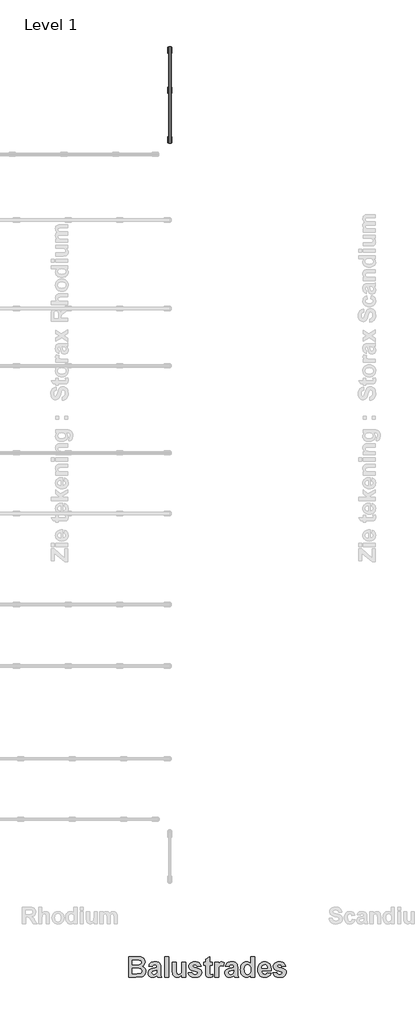
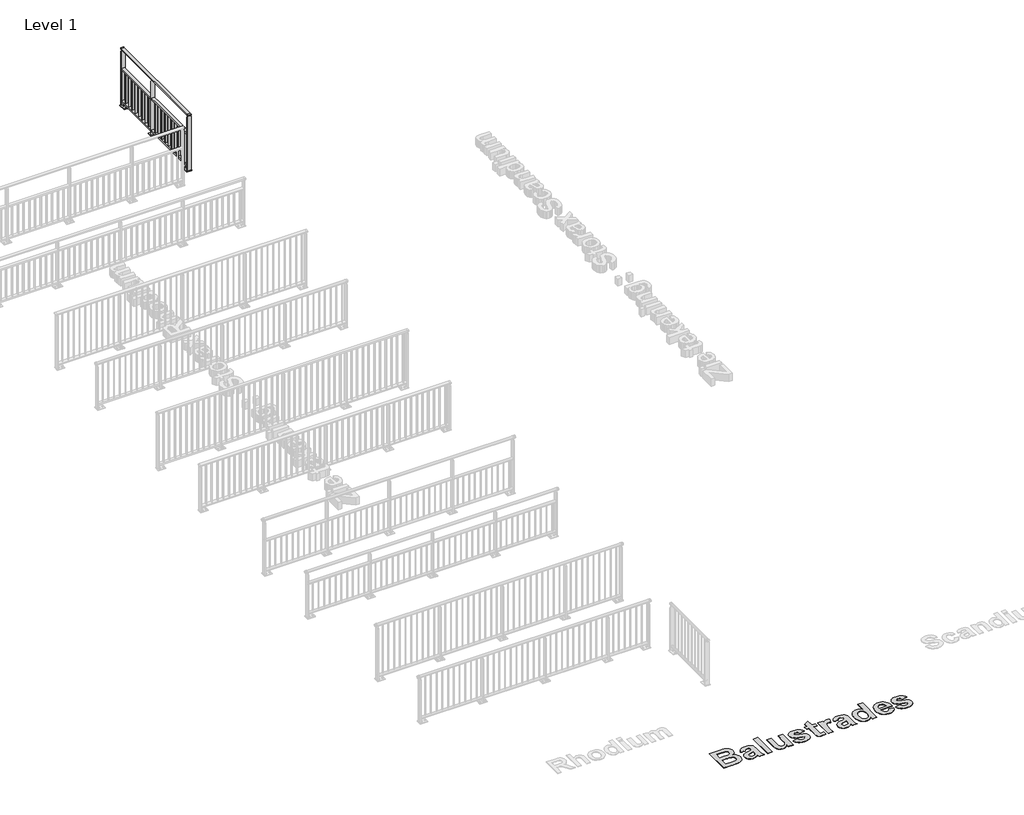
# One storey, part 10 of 20: 1 proxy, 1 railing.
"""IFC4 building model written with IfcOpenShell, lengths in millimetres."""

from ifc_helpers import new_model, si_unit, point, frame, frame_2d, origin, origin_with_axes, place, context, project, spatial, polyline, circle_curve, trimmed, segment, composite_curve, outline, extrude, faceted_brep, element, save

model = new_model("IFC4")

# Units and contexts
model_context = context("Model", 3, world=origin())
ifc_project = project(units=[si_unit("LENGTHUNIT", "METRE", prefix="MILLI")], contexts=[model_context])

# Site, building, storey
site = spatial("IfcSite", under=ifc_project)
building = spatial("IfcBuilding", under=site)
storey = spatial("IfcBuildingStorey", under=building, Name="Level 1", Elevation=0.0)

# Proxy
placement = place(None, origin())
element("IfcBuildingElementProxy", 1, Name="500mm", ObjectType="500mm", at=placement, inside=storey, context=model_context, shape_type="SweptSolid", body=[
    extrude(outline(polyline([(6253.1087653, -16540.2949086), (6458.3419003, -16540.2949086), (6511.494802, -16541.534988), (6549.1777137, -16545.2552261), (6577.5445292, -16552.9282171), (6602.7491423, -16566.0265554), (6624.4040282, -16584.441734), (6642.1216622, -16608.0652459), (6653.9334181, -16635.8895267), (6657.8706701, -16666.9070118), (6653.1738695, -16700.6991745), (6639.0834677, -16731.6391546), (6616.9325501, -16757.4638074), (6588.0542018, -16775.909988), (6624.5745391, -16793.8291348), (6639.2539786, -16806.2764314), (6651.5462653, -16821.0488769), (6668.1943308, -16855.7400971), (6673.743686, -16896.0736784), (6669.759931, -16929.5713223), (6657.8086661, -16962.1079046), (6638.9594598, -16990.9397499), (6614.2818804, -17013.3231824), (6583.4814092, -17028.8086735), (6546.2635272, -17036.9466943), (6423.9917018, -17040.2949086), (6253.1087653, -17040.2949086), (6253.1087653, -16540.2949086)]), holes=[polyline([(6348.3468606, -16826.0091943), (6348.3468606, -16952.9933213), (6449.041305, -16952.9933213), (6523.6940828, -16950.0171308), (6545.7364935, -16943.3672052), (6563.2526145, -16931.1059205), (6574.6923467, -16913.4812925), (6578.5055907, -16890.7413372), (6575.5604022, -16871.0240753), (6566.7248368, -16854.5310197), (6552.3399161, -16841.6651963), (6532.7466622, -16832.8296308), (6497.5284082, -16827.7143034), (6436.2684876, -16826.0091943), (6348.3468606, -16826.0091943)]), polyline([(6348.3468606, -16627.5964959), (6348.3468606, -16738.707607), (6421.0155114, -16738.707607), (6501.6206701, -16737.0955038), (6526.9957941, -16731.2981328), (6546.3255312, -16719.8584007), (6558.5558139, -16703.3343431), (6562.6325749, -16682.2839959), (6559.1138497, -16662.1482072), (6548.5576741, -16646.1356824), (6531.088056, -16634.9284652), (6506.8290034, -16629.2085991), (6412.0869399, -16627.5964959), (6348.3468606, -16627.5964959)])]), origin_with_axes(), (0.0, 0.0, 1.0), 5.0),
    extrude(outline(polyline([(6832.4738447, -16786.3266546), (6745.1722574, -16770.4536388), (6753.3761574, -16745.8690654), (6764.0989687, -16724.6947102), (6777.3406912, -16706.9305733), (6793.1013249, -16692.5766546), (6812.1791708, -16681.5089463), (6835.3725302, -16673.6034404), (6862.681403, -16668.8601368), (6894.1057891, -16667.2790356), (6947.212188, -16671.1077806), (6984.7555907, -16682.5940157), (7010.1152137, -16699.9551269), (7026.6702733, -16721.4084999), (7035.7848566, -16754.7511338), (7038.823051, -16807.7800277), (7038.823051, -16920.379234), (7040.0786314, -16962.1699086), (7043.8453725, -16991.3117737), (7051.0533338, -17014.9662876), (7062.6325749, -17040.2949086), (6967.3944796, -17040.2949086), (6958.4659082, -17010.0369721), (6955.1176939, -16998.0082023), (6930.4711165, -17019.942106), (6904.150432, -17035.644611), (6876.0936364, -17045.0847152), (6846.2387256, -17048.2314165), (6820.5187046, -17046.3209193), (6797.6741175, -17040.5894275), (6777.7049645, -17031.0369411), (6760.6112455, -17017.6634602), (6746.9122438, -17001.3757928), (6737.1272425, -16983.0807469), (6731.2562418, -16962.7783225), (6729.2992415, -16940.4685197), (6732.7869647, -16911.2646507), (6743.2501344, -16885.4089959), (6760.0067068, -16864.0486288), (6782.3746383, -16848.3306229), (6813.0976046, -16836.2708511), (6854.9192812, -16825.8851864), (6909.0797475, -16813.6394027), (6943.5849558, -16802.1996705), (6943.5849558, -16792.1550277), (6940.6242663, -16767.4154443), (6931.7421979, -16750.9843927), (6914.6756056, -16741.7768034), (6887.1613447, -16738.707607), (6867.4130808, -16741.3427757), (6852.5631304, -16749.2482816), (6841.3404122, -16763.7882122), (6832.4738447, -16786.3266546)]), holes=[polyline([(6943.5849558, -16873.6282419), (6889.8895193, -16886.8350872), (6859.5075749, -16894.4150723), (6841.7744399, -16901.9020515), (6828.8466126, -16915.4499185), (6824.5373368, -16932.2839959), (6827.994058, -16949.1645763), (6838.3642217, -16963.5959999), (6854.0667266, -16973.5011338), (6873.5204717, -16976.8028451), (6896.8649657, -16972.9585991), (6919.0313844, -16961.425861), (6932.3622376, -16948.4670316), (6940.1127336, -16932.9040356), (6943.5849558, -16890.8653451), (6943.5849558, -16873.6282419)])]), origin_with_axes(), (0.0, 0.0, 1.0), 5.0),
    extrude(outline(polyline([(7134.0611463, -17040.2949086), (7134.0611463, -16540.2949086), (7229.2992415, -16540.2949086), (7229.2992415, -17040.2949086), (7134.0611463, -17040.2949086)])), origin_with_axes(), (0.0, 0.0, 1.0), 5.0),
    extrude(outline(polyline([(7554.6960669, -17040.2949086), (7554.6960669, -16986.72348), (7532.7621631, -17012.3156179), (7504.9068804, -17031.800365), (7473.2073516, -17044.1236536), (7439.7407098, -17048.2314165), (7406.6615927, -17044.2011586), (7377.1167018, -17032.1103848), (7353.1831701, -17012.7186437), (7336.9381304, -16986.785484), (7327.6375352, -16951.9857568), (7324.5373368, -16905.9943134), (7324.5373368, -16675.2155435), (7419.775432, -16675.2155435), (7419.775432, -16843.9903451), (7421.0620143, -16906.4748441), (7424.9217614, -16938.9184205), (7432.2072276, -16954.5434205), (7443.7709677, -16966.5721904), (7459.3184628, -16974.2451814), (7478.5551939, -16976.8028451), (7501.3571532, -16973.3926269), (7521.6479518, -16963.1619721), (7537.6759776, -16947.8624929), (7547.6896185, -16929.2458015), (7552.9444548, -16894.3220663), (7554.6960669, -16830.1014562), (7554.6960669, -16675.2155435), (7649.9341622, -16675.2155435), (7649.9341622, -17040.2949086), (7554.6960669, -17040.2949086)])), origin_with_axes(), (0.0, 0.0, 1.0), 5.0),
    extrude(outline(polyline([(7705.4897177, -16937.1203054), (7800.727813, -16921.2472896), (7809.7958933, -16945.2428253), (7825.0953725, -16962.6659404), (7847.1532842, -16973.2686189), (7876.4966622, -16976.8028451), (7908.3356999, -16973.4236288), (7931.1841622, -16963.28598), (7940.4847574, -16952.2492737), (7943.5849558, -16937.988361), (7941.9418506, -16928.12973), (7937.0125352, -16920.1312181), (7925.7588149, -16913.5897995), (7905.8865431, -16907.6064165), (7813.9036562, -16883.238857), (7783.3744523, -16871.8456279), (7763.1534082, -16860.9794324), (7744.869988, -16844.7886462), (7731.8104022, -16825.7301765), (7723.9746507, -16803.8040232), (7721.3627336, -16779.0101864), (7723.6026269, -16756.3244845), (7730.322307, -16735.5144027), (7741.5217738, -16716.5799408), (7757.2010272, -16699.5210991), (7777.5925823, -16685.4151963), (7802.9289538, -16675.3395515), (7833.2101418, -16669.2941646), (7868.4361463, -16667.2790356), (7901.9725426, -16668.9066398), (7930.9051443, -16673.7894523), (7955.2339513, -16681.9274731), (7974.9589637, -16693.3207023), (7991.025742, -16707.9071358), (8004.3798467, -16725.6247697), (8015.0212777, -16746.473604), (8022.9500352, -16770.4536388), (7927.7119399, -16786.3266546), (7920.7054915, -16765.9583511), (7909.3587653, -16750.9843927), (7892.9897177, -16741.7768034), (7870.916305, -16738.707607), (7843.7895689, -16741.3117737), (7825.6534082, -16749.1242737), (7818.8639737, -16757.6808213), (7816.6008288, -16768.4695118), (7818.8639737, -16777.801109), (7825.6534082, -16785.706615), (7852.7956453, -16797.0843431), (7909.916801, -16812.3683213), (7971.1302187, -16831.6205534), (7993.5640295, -16842.7580162), (8010.5492415, -16854.9030435), (8022.9190332, -16869.0011958), (8031.7545987, -16885.6260098), (8037.055938, -16904.7774855), (8038.823051, -16926.4556229), (8036.2615121, -16950.5635408), (8028.5768953, -16972.9120961), (8015.7692006, -16993.5012888), (7997.838428, -17012.3311189), (7974.885334, -17028.0374991), (7947.0106751, -17039.2563421), (7914.2144511, -17045.9876479), (7876.4966622, -17048.2314165), (7841.9410756, -17046.363547), (7811.1909826, -17040.7599384), (7784.2463831, -17031.4205907), (7761.1072772, -17018.3455038), (7741.7039104, -17002.0617117), (7725.9665282, -16983.0962479), (7713.8951307, -16961.4491125), (7705.4897177, -16937.1203054)])), origin_with_axes(), (0.0, 0.0, 1.0), 5.0),
    extrude(outline(polyline([(8300.727813, -16675.2155435), (8300.727813, -16746.644115), (8229.2992415, -16746.644115), (8229.2992415, -16903.2661388), (8231.4693804, -16958.6356824), (8241.3280114, -16971.6565157), (8260.0532098, -16976.8028451), (8304.6960669, -16967.6262578), (8308.6643209, -17035.3345911), (8271.9269697, -17045.0072102), (8230.6633288, -17048.2314165), (8205.3037058, -17045.9992737), (8182.5482495, -17039.3028451), (8163.96256, -17029.0721904), (8151.1122376, -17016.2373689), (8142.6331949, -16999.5893034), (8137.1613447, -16977.9189165), (8134.0611463, -16908.59848), (8134.0611463, -16746.644115), (8086.4420987, -16746.644115), (8086.4420987, -16675.2155435), (8134.0611463, -16675.2155435), (8134.0611463, -16603.7869721), (8229.2992415, -16548.2314165), (8229.2992415, -16675.2155435), (8300.727813, -16675.2155435)])), origin_with_axes(), (0.0, 0.0, 1.0), 5.0),
    extrude(outline(polyline([(8451.5214637, -17040.2949086), (8356.2833685, -17040.2949086), (8356.2833685, -16675.2155435), (8451.5214637, -16675.2155435), (8451.5214637, -16726.0587975), (8471.6417514, -16696.1573838), (8489.5919003, -16678.6257618), (8507.635055, -16670.1157171), (8528.0343606, -16667.2790356), (8557.7652633, -16672.301357), (8586.4420987, -16687.3683213), (8558.6643209, -16778.0181229), (8535.7228526, -16766.3923788), (8514.5174955, -16762.5171308), (8496.2108239, -16765.2298044), (8480.9733487, -16773.3678253), (8468.7275649, -16788.5742985), (8459.3959677, -16812.4923292), (8453.4900897, -16856.2671308), (8451.5214637, -16931.0439165), (8451.5214637, -17040.2949086)])), origin_with_axes(), (0.0, 0.0, 1.0), 5.0),
    extrude(outline(polyline([(8705.4897177, -16786.3266546), (8618.1881304, -16770.4536388), (8626.3920305, -16745.8690654), (8637.1148417, -16724.6947102), (8650.3565642, -16706.9305733), (8666.1171979, -16692.5766546), (8685.1950439, -16681.5089463), (8708.3884032, -16673.6034404), (8735.697276, -16668.8601368), (8767.1216622, -16667.2790356), (8820.228061, -16671.1077806), (8857.7714637, -16682.5940157), (8883.1310868, -16699.9551269), (8899.6861463, -16721.4084999), (8908.8007296, -16754.7511338), (8911.8389241, -16807.7800277), (8911.8389241, -16920.379234), (8913.0945044, -16962.1699086), (8916.8612455, -16991.3117737), (8924.0692068, -17014.9662876), (8935.6484479, -17040.2949086), (8840.4103526, -17040.2949086), (8831.4817812, -17010.0369721), (8828.1335669, -16998.0082023), (8803.4869895, -17019.942106), (8777.166305, -17035.644611), (8749.1095094, -17045.0847152), (8719.2545987, -17048.2314165), (8693.5345776, -17046.3209193), (8670.6899905, -17040.5894275), (8650.7208375, -17031.0369411), (8633.6271185, -17017.6634602), (8619.9281168, -17001.3757928), (8610.1431155, -16983.0807469), (8604.2721148, -16962.7783225), (8602.3151145, -16940.4685197), (8605.8028378, -16911.2646507), (8616.2660074, -16885.4089959), (8633.0225798, -16864.0486288), (8655.3905114, -16848.3306229), (8686.1134776, -16836.2708511), (8727.9351542, -16825.8851864), (8782.0956205, -16813.6394027), (8816.6008288, -16802.1996705), (8816.6008288, -16792.1550277), (8813.6401393, -16767.4154443), (8804.7580709, -16750.9843927), (8787.6914786, -16741.7768034), (8760.1772177, -16738.707607), (8740.4289538, -16741.3427757), (8725.5790034, -16749.2482816), (8714.3562852, -16763.7882122), (8705.4897177, -16786.3266546)]), holes=[polyline([(8816.6008288, -16873.6282419), (8762.9053923, -16886.8350872), (8732.5234479, -16894.4150723), (8714.790313, -16901.9020515), (8701.8624856, -16915.4499185), (8697.5532098, -16932.2839959), (8701.009931, -16949.1645763), (8711.3800947, -16963.5959999), (8727.0825997, -16973.5011338), (8746.5363447, -16976.8028451), (8769.8808387, -16972.9585991), (8792.0472574, -16961.425861), (8805.3781106, -16948.4670316), (8813.1286066, -16932.9040356), (8816.6008288, -16890.8653451), (8816.6008288, -16873.6282419)])]), origin_with_axes(), (0.0, 0.0, 1.0), 5.0),
    extrude(outline(polyline([(9332.4738447, -17040.2949086), (9237.2357495, -17040.2949086), (9237.2357495, -16987.7155435), (9213.9997624, -17014.4237529), (9186.9505312, -17033.2884602), (9157.8861711, -17044.4956775), (9128.6047971, -17048.2314165), (9099.7303241, -17045.0692142), (9073.0027385, -17035.582607), (9048.4220404, -17019.7715951), (9025.9882296, -16997.6361784), (9007.2979084, -16969.8351492), (8993.947679, -16937.0272995), (8985.9375414, -16899.2126293), (8983.2674955, -16856.3911388), (8985.9336661, -16812.8488521), (8993.932178, -16774.8559205), (9007.2630312, -16742.4123441), (9025.9262256, -16715.5181229), (9048.666181, -16694.4135222), (9074.2273169, -16679.3388074), (9102.6096334, -16670.2939785), (9133.8131304, -16667.2790356), (9162.6914786, -16670.4024855), (9189.5546979, -16679.7728352), (9214.4027881, -16695.3900847), (9237.2357495, -16717.254234), (9237.2357495, -16540.2949086), (9332.4738447, -16540.2949086), (9332.4738447, -17040.2949086)]), holes=[polyline([(9078.5055907, -16850.8107816), (9082.4738447, -16902.6460991), (9087.4341622, -16922.332359), (9094.3786066, -16937.8643531), (9106.9886636, -16954.8999433), (9121.8773665, -16967.0682221), (9139.0447152, -16974.3691894), (9158.4907098, -16976.8028451), (9174.3017217, -16974.9776033), (9188.8726542, -16969.5018779), (9202.2035074, -16960.3756688), (9214.2942812, -16947.5989761), (9224.3311736, -16931.1950512), (9231.5003824, -16911.1871457), (9235.8019077, -16887.5752595), (9237.2357495, -16860.3593927), (9235.8445354, -16830.2603414), (9231.6708933, -16804.6953302), (9224.7148231, -16783.6643593), (9214.9763249, -16767.1674284), (9203.0599372, -16754.7162566), (9189.5701989, -16745.8225624), (9174.5071098, -16740.4863459), (9157.8706701, -16738.707607), (9141.6876344, -16740.4669696), (9126.868686, -16745.7450574), (9113.4138249, -16754.5418704), (9101.323051, -16766.8574086), (9091.3404122, -16782.66067), (9084.2099558, -16801.9206527), (9079.931682, -16824.6373565), (9078.5055907, -16850.8107816)])]), origin_with_axes(), (0.0, 0.0, 1.0), 5.0),
    extrude(outline(polyline([(9634.0611463, -16929.1837975), (9729.2992415, -16945.0568134), (9719.0065828, -16968.784957), (9706.1097574, -16989.4981576), (9690.6087653, -17007.1964153), (9672.5036066, -17021.87973), (9651.8795367, -17033.4085929), (9628.821811, -17041.6434949), (9603.3304295, -17046.5844361), (9575.4053923, -17048.2314165), (9532.2738819, -17044.348418), (9495.1412554, -17032.6994225), (9464.0075129, -17013.2844299), (9438.8726542, -16986.1034404), (9423.5731751, -16959.6044944), (9412.6449756, -16929.8348392), (9406.088056, -16896.7944746), (9403.9024161, -16860.4834007), (9406.8011016, -16817.6696606), (9415.4971582, -16779.754234), (9429.9905858, -16746.7371209), (9450.2813844, -16718.6183213), (9475.0054667, -16696.1573838), (9502.7987455, -16680.113857), (9533.6612207, -16670.4877409), (9567.5928923, -16667.2790356), (9605.2990555, -16670.5729964), (9638.8044499, -16680.4548788), (9668.1090754, -16696.9246829), (9693.212932, -16719.9824086), (9713.2169623, -16749.8450698), (9727.2221086, -16786.7296804), (9735.228371, -16830.6362405), (9737.2357495, -16881.5647499), (9499.1405114, -16881.5647499), (9505.2479022, -16921.6813173), (9512.1380932, -16937.97286), (9521.5859479, -16951.7532419), (9532.9714265, -16962.7124433), (9545.6744895, -16970.5404443), (9559.6951369, -16975.2372449), (9575.0333685, -16976.8028451), (9595.0296483, -16973.9816646), (9611.6157098, -16965.5181229), (9624.6675451, -16950.7921804), (9634.0611463, -16929.1837975)]), holes=[polyline([(9641.9976542, -16826.0091943), (9636.2002832, -16788.3572846), (9629.697617, -16773.379451), (9620.7922971, -16760.9670316), (9598.4088645, -16744.2724632), (9571.6851542, -16738.707607), (9543.4733487, -16744.566982), (9520.5938844, -16762.145107), (9511.8203229, -16774.972178), (9505.5889241, -16789.8918828), (9500.7526145, -16826.0091943), (9641.9976542, -16826.0091943)])]), origin_with_axes(), (0.0, 0.0, 1.0), 5.0),
    extrude(outline(polyline([(9768.9817812, -16937.1203054), (9864.2198764, -16921.2472896), (9873.2879568, -16945.2428253), (9888.587436, -16962.6659404), (9910.6453477, -16973.2686189), (9939.9887256, -16976.8028451), (9971.8277633, -16973.4236288), (9994.6762256, -16963.28598), (10003.9768209, -16952.2492737), (10007.0770193, -16937.988361), (10005.4339141, -16928.12973), (10000.5045987, -16920.1312181), (9989.2508784, -16913.5897995), (9969.3786066, -16907.6064165), (9877.3957197, -16883.238857), (9846.8665158, -16871.8456279), (9826.6454717, -16860.9794324), (9808.3620515, -16844.7886462), (9795.3024657, -16825.7301765), (9787.4667142, -16803.8040232), (9784.8547971, -16779.0101864), (9787.0946904, -16756.3244845), (9793.8143705, -16735.5144027), (9805.0138373, -16716.5799408), (9820.6930907, -16699.5210991), (9841.0846458, -16685.4151963), (9866.4210173, -16675.3395515), (9896.7022053, -16669.2941646), (9931.9282098, -16667.2790356), (9965.4646061, -16668.9066398), (9994.3972078, -16673.7894523), (10018.7260148, -16681.9274731), (10038.4510272, -16693.3207023), (10054.5178055, -16707.9071358), (10067.8719102, -16725.6247697), (10078.5133412, -16746.473604), (10086.4420987, -16770.4536388), (9991.2040034, -16786.3266546), (9984.197555, -16765.9583511), (9972.8508288, -16750.9843927), (9956.4817812, -16741.7768034), (9934.4083685, -16738.707607), (9907.2816324, -16741.3117737), (9889.1454717, -16749.1242737), (9882.3560372, -16757.6808213), (9880.0928923, -16768.4695118), (9882.3560372, -16777.801109), (9889.1454717, -16785.706615), (9916.2877088, -16797.0843431), (9973.4088645, -16812.3683213), (10034.6222822, -16831.6205534), (10057.056093, -16842.7580162), (10074.041305, -16854.9030435), (10086.4110967, -16869.0011958), (10095.2466622, -16885.6260098), (10100.5480014, -16904.7774855), (10102.3151145, -16926.4556229), (10099.7535756, -16950.5635408), (10092.0689588, -16972.9120961), (10079.2612641, -16993.5012888), (10061.3304915, -17012.3311189), (10038.3773975, -17028.0374991), (10010.5027385, -17039.2563421), (9977.7065146, -17045.9876479), (9939.9887256, -17048.2314165), (9905.4331391, -17046.363547), (9874.6830461, -17040.7599384), (9847.7384466, -17031.4205907), (9824.5993407, -17018.3455038), (9805.1959739, -17002.0617117), (9789.4585917, -16983.0962479), (9777.3871942, -16961.4491125), (9768.9817812, -16937.1203054)])), origin_with_axes(), (0.0, 0.0, 1.0), 5.0),
])

# Railing
element("IfcRailing", 2, at=placement, inside=storey, context=model_context, shape_type="SolidModel", body=[
    faceted_brep([(7230.6479588, 3299.3681146, 1212.5), (7230.6479588, 3299.3681146, 1187.5), (7290.6479588, 3299.3681146, 1187.5), (7290.6479588, 3299.3681146, 1212.5), (7230.6479588, 3329.3681146, 1212.5), (7230.6479588, 3329.3681146, 1187.5), (7290.6479588, 3329.3681146, 1187.5), (7290.6479588, 3329.3681146, 1212.5), (7230.6479588, 5629.3681146, 1212.5), (7230.6479588, 5629.3681146, 1187.5), (7290.6479588, 5629.3681146, 1187.5), (7290.6479588, 5629.3681146, 1212.5), (7230.6479588, 5659.3681146, 1212.5), (7290.6479588, 5659.3681146, 1212.5), (7290.6479588, 5659.3681146, 1187.5), (7230.6479588, 5659.3681146, 1187.5)], [[[0, 1, 2, 3]], [[1, 0, 4, 5]], [[2, 1, 5, 6]], [[3, 2, 6, 7]], [[0, 3, 7, 4]], [[5, 4, 8, 9]], [[6, 5, 9, 10]], [[7, 6, 10, 11]], [[4, 7, 11, 8]], [[12, 13, 14, 15]], [[9, 8, 12, 15]], [[10, 9, 15, 14]], [[11, 10, 14, 13]], [[8, 11, 13, 12]]]),
    extrude(outline(polyline([(7290.6479588, 3329.3681146), (7230.6479588, 3329.3681146), (7230.6479588, 5629.3681146), (7290.6479588, 5629.3681146), (7290.6479588, 3329.3681146)])), frame((0.0, 0.0, 770.0), z_axis=(0.0, 0.0, 1.0), x_axis=(1.0, 0.0, 0.0)), (0.0, 0.0, 1.0), 25.0),
    extrude(outline(polyline([(7290.6479588, 3329.3681146), (7230.6479588, 3329.3681146), (7230.6479588, 5629.3681146), (7290.6479588, 5629.3681146), (7290.6479588, 3329.3681146)])), frame((0.0, 0.0, 90.0), z_axis=(0.0, 0.0, 1.0), x_axis=(1.0, 0.0, 0.0)), (0.0, 0.0, 1.0), 25.0),
    extrude(outline(polyline([(7280.6479588, 5617.8681146), (7240.6479588, 5617.8681146), (7240.6479588, 5625.8681146), (7280.6479588, 5625.8681146), (7280.6479588, 5617.8681146)])), frame((0.0, 0.0, 115.0), z_axis=(0.0, 0.0, 1.0), x_axis=(1.0, 0.0, 0.0)), (0.0, 0.0, 1.0), 655.0),
    extrude(outline(polyline([(7280.6479588, 5502.8681146), (7240.6479588, 5502.8681146), (7240.6479588, 5510.8681146), (7280.6479588, 5510.8681146), (7280.6479588, 5502.8681146)])), frame((0.0, 0.0, 115.0), z_axis=(0.0, 0.0, 1.0), x_axis=(1.0, 0.0, 0.0)), (0.0, 0.0, 1.0), 655.0),
    extrude(outline(polyline([(7280.6479588, 5387.8681146), (7240.6479588, 5387.8681146), (7240.6479588, 5395.8681146), (7280.6479588, 5395.8681146), (7280.6479588, 5387.8681146)])), frame((0.0, 0.0, 115.0), z_axis=(0.0, 0.0, 1.0), x_axis=(1.0, 0.0, 0.0)), (0.0, 0.0, 1.0), 655.0),
    extrude(outline(polyline([(7280.6479588, 5272.8681146), (7240.6479588, 5272.8681146), (7240.6479588, 5280.8681146), (7280.6479588, 5280.8681146), (7280.6479588, 5272.8681146)])), frame((0.0, 0.0, 115.0), z_axis=(0.0, 0.0, 1.0), x_axis=(1.0, 0.0, 0.0)), (0.0, 0.0, 1.0), 655.0),
    extrude(outline(polyline([(7280.6479588, 5157.8681146), (7240.6479588, 5157.8681146), (7240.6479588, 5165.8681146), (7280.6479588, 5165.8681146), (7280.6479588, 5157.8681146)])), frame((0.0, 0.0, 115.0), z_axis=(0.0, 0.0, 1.0), x_axis=(1.0, 0.0, 0.0)), (0.0, 0.0, 1.0), 655.0),
    extrude(outline(polyline([(7280.6479588, 5042.8681146), (7240.6479588, 5042.8681146), (7240.6479588, 5050.8681146), (7280.6479588, 5050.8681146), (7280.6479588, 5042.8681146)])), frame((0.0, 0.0, 115.0), z_axis=(0.0, 0.0, 1.0), x_axis=(1.0, 0.0, 0.0)), (0.0, 0.0, 1.0), 655.0),
    extrude(outline(polyline([(7280.6479588, 4927.8681146), (7240.6479588, 4927.8681146), (7240.6479588, 4935.8681146), (7280.6479588, 4935.8681146), (7280.6479588, 4927.8681146)])), frame((0.0, 0.0, 115.0), z_axis=(0.0, 0.0, 1.0), x_axis=(1.0, 0.0, 0.0)), (0.0, 0.0, 1.0), 655.0),
    extrude(outline(polyline([(7280.6479588, 4812.8681146), (7240.6479588, 4812.8681146), (7240.6479588, 4820.8681146), (7280.6479588, 4820.8681146), (7280.6479588, 4812.8681146)])), frame((0.0, 0.0, 115.0), z_axis=(0.0, 0.0, 1.0), x_axis=(1.0, 0.0, 0.0)), (0.0, 0.0, 1.0), 655.0),
    extrude(outline(polyline([(7280.6479588, 4697.8681146), (7240.6479588, 4697.8681146), (7240.6479588, 4705.8681146), (7280.6479588, 4705.8681146), (7280.6479588, 4697.8681146)])), frame((0.0, 0.0, 115.0), z_axis=(0.0, 0.0, 1.0), x_axis=(1.0, 0.0, 0.0)), (0.0, 0.0, 1.0), 655.0),
    extrude(outline(polyline([(12.0, 7220.6479588), (12.0, 7300.6479588), (1155.0, 7300.6479588), (1187.5, 7268.1479588), (1187.5, 7253.1479588), (1155.0, 7220.6479588), (12.0, 7220.6479588)])), frame((0.0, 4583.3681146, 0.0), z_axis=(0.0, 1.0, 0.0), x_axis=(0.0, 0.0, 1.0)), (0.0, 0.0, 1.0), 12.0),
    extrude(outline(polyline([(7210.6479588, 4514.3681146), (7210.6479588, 4664.3681146), (7310.6479588, 4664.3681146), (7310.6479588, 4514.3681146), (7210.6479588, 4514.3681146)]), holes=[composite_curve([segment(trimmed(circle_curve(frame_2d((7260.6479588, 4539.3681146)), 13.5), [point((7274.1479588, 4539.3681146))], [point((7247.1479588, 4539.3681146))], True, "CARTESIAN"), True, "CONTINUOUS"), segment(trimmed(circle_curve(frame_2d((7260.6479588, 4539.3681146)), 13.5), [point((7247.1479588, 4539.3681146))], [point((7274.1479588, 4539.3681146))], True, "CARTESIAN"), True, "CONTINUOUS")], self_intersect=False), composite_curve([segment(trimmed(circle_curve(frame_2d((7260.6479588, 4639.3681146)), 13.5), [point((7274.1479588, 4639.3681146))], [point((7247.1479588, 4639.3681146))], True, "CARTESIAN"), True, "CONTINUOUS"), segment(trimmed(circle_curve(frame_2d((7260.6479588, 4639.3681146)), 13.5), [point((7247.1479588, 4639.3681146))], [point((7274.1479588, 4639.3681146))], True, "CARTESIAN"), True, "CONTINUOUS")], self_intersect=False)]), origin_with_axes(), (0.0, 0.0, 1.0), 12.0),
    extrude(outline(polyline([(7280.6479588, 4472.8681146), (7240.6479588, 4472.8681146), (7240.6479588, 4480.8681146), (7280.6479588, 4480.8681146), (7280.6479588, 4472.8681146)])), frame((0.0, 0.0, 115.0), z_axis=(0.0, 0.0, 1.0), x_axis=(1.0, 0.0, 0.0)), (0.0, 0.0, 1.0), 655.0),
    extrude(outline(polyline([(7280.6479588, 4357.8681146), (7240.6479588, 4357.8681146), (7240.6479588, 4365.8681146), (7280.6479588, 4365.8681146), (7280.6479588, 4357.8681146)])), frame((0.0, 0.0, 115.0), z_axis=(0.0, 0.0, 1.0), x_axis=(1.0, 0.0, 0.0)), (0.0, 0.0, 1.0), 655.0),
    extrude(outline(polyline([(7280.6479588, 4242.8681146), (7240.6479588, 4242.8681146), (7240.6479588, 4250.8681146), (7280.6479588, 4250.8681146), (7280.6479588, 4242.8681146)])), frame((0.0, 0.0, 115.0), z_axis=(0.0, 0.0, 1.0), x_axis=(1.0, 0.0, 0.0)), (0.0, 0.0, 1.0), 655.0),
    extrude(outline(polyline([(7280.6479588, 4127.8681146), (7240.6479588, 4127.8681146), (7240.6479588, 4135.8681146), (7280.6479588, 4135.8681146), (7280.6479588, 4127.8681146)])), frame((0.0, 0.0, 115.0), z_axis=(0.0, 0.0, 1.0), x_axis=(1.0, 0.0, 0.0)), (0.0, 0.0, 1.0), 655.0),
    extrude(outline(polyline([(7280.6479588, 4012.8681146), (7240.6479588, 4012.8681146), (7240.6479588, 4020.8681146), (7280.6479588, 4020.8681146), (7280.6479588, 4012.8681146)])), frame((0.0, 0.0, 115.0), z_axis=(0.0, 0.0, 1.0), x_axis=(1.0, 0.0, 0.0)), (0.0, 0.0, 1.0), 655.0),
    extrude(outline(polyline([(7280.6479588, 3897.8681146), (7240.6479588, 3897.8681146), (7240.6479588, 3905.8681146), (7280.6479588, 3905.8681146), (7280.6479588, 3897.8681146)])), frame((0.0, 0.0, 115.0), z_axis=(0.0, 0.0, 1.0), x_axis=(1.0, 0.0, 0.0)), (0.0, 0.0, 1.0), 655.0),
    extrude(outline(polyline([(7280.6479588, 3782.8681146), (7240.6479588, 3782.8681146), (7240.6479588, 3790.8681146), (7280.6479588, 3790.8681146), (7280.6479588, 3782.8681146)])), frame((0.0, 0.0, 115.0), z_axis=(0.0, 0.0, 1.0), x_axis=(1.0, 0.0, 0.0)), (0.0, 0.0, 1.0), 655.0),
    extrude(outline(polyline([(7280.6479588, 3667.8681146), (7240.6479588, 3667.8681146), (7240.6479588, 3675.8681146), (7280.6479588, 3675.8681146), (7280.6479588, 3667.8681146)])), frame((0.0, 0.0, 115.0), z_axis=(0.0, 0.0, 1.0), x_axis=(1.0, 0.0, 0.0)), (0.0, 0.0, 1.0), 655.0),
    extrude(outline(polyline([(7280.6479588, 3552.8681146), (7240.6479588, 3552.8681146), (7240.6479588, 3560.8681146), (7280.6479588, 3560.8681146), (7280.6479588, 3552.8681146)])), frame((0.0, 0.0, 115.0), z_axis=(0.0, 0.0, 1.0), x_axis=(1.0, 0.0, 0.0)), (0.0, 0.0, 1.0), 655.0),
    extrude(outline(polyline([(7280.6479588, 3437.8681146), (7240.6479588, 3437.8681146), (7240.6479588, 3445.8681146), (7280.6479588, 3445.8681146), (7280.6479588, 3437.8681146)])), frame((0.0, 0.0, 115.0), z_axis=(0.0, 0.0, 1.0), x_axis=(1.0, 0.0, 0.0)), (0.0, 0.0, 1.0), 655.0),
    extrude(outline(polyline([(12.0, 7220.6479588), (12.0, 7300.6479588), (1155.0, 7300.6479588), (1187.5, 7268.1479588), (1187.5, 7253.1479588), (1155.0, 7220.6479588), (12.0, 7220.6479588)])), frame((0.0, 5623.3681146, 0.0), z_axis=(0.0, 1.0, 0.0), x_axis=(0.0, 0.0, 1.0)), (0.0, 0.0, 1.0), 12.0),
    extrude(outline(polyline([(7210.6479588, 5495.3681146), (7210.6479588, 5645.3681146), (7310.6479588, 5645.3681146), (7310.6479588, 5495.3681146), (7210.6479588, 5495.3681146)]), holes=[composite_curve([segment(trimmed(circle_curve(frame_2d((7260.6479588, 5520.3681146)), 13.5), [point((7274.1479588, 5520.3681146))], [point((7247.1479588, 5520.3681146))], True, "CARTESIAN"), True, "CONTINUOUS"), segment(trimmed(circle_curve(frame_2d((7260.6479588, 5520.3681146)), 13.5), [point((7247.1479588, 5520.3681146))], [point((7274.1479588, 5520.3681146))], True, "CARTESIAN"), True, "CONTINUOUS")], self_intersect=False), composite_curve([segment(trimmed(circle_curve(frame_2d((7260.6479588, 5590.3681146)), 13.5), [point((7274.1479588, 5590.3681146))], [point((7247.1479588, 5590.3681146))], True, "CARTESIAN"), True, "CONTINUOUS"), segment(trimmed(circle_curve(frame_2d((7260.6479588, 5590.3681146)), 13.5), [point((7247.1479588, 5590.3681146))], [point((7274.1479588, 5590.3681146))], True, "CARTESIAN"), True, "CONTINUOUS")], self_intersect=False)]), origin_with_axes(), (0.0, 0.0, 1.0), 12.0),
    extrude(outline(polyline([(12.0, 7220.6479588), (12.0, 7300.6479588), (1155.0, 7300.6479588), (1187.5, 7268.1479588), (1187.5, 7253.1479588), (1155.0, 7220.6479588), (12.0, 7220.6479588)])), frame((0.0, 3323.3681146, 0.0), z_axis=(0.0, 1.0, 0.0), x_axis=(0.0, 0.0, 1.0)), (0.0, 0.0, 1.0), 12.0),
    extrude(outline(polyline([(7210.6479588, 3313.3681146), (7210.6479588, 3463.3681146), (7310.6479588, 3463.3681146), (7310.6479588, 3313.3681146), (7210.6479588, 3313.3681146)]), holes=[composite_curve([segment(trimmed(circle_curve(frame_2d((7260.6479588, 3368.3681146)), 13.5), [point((7274.1479588, 3368.3681146))], [point((7247.1479588, 3368.3681146))], True, "CARTESIAN"), True, "CONTINUOUS"), segment(trimmed(circle_curve(frame_2d((7260.6479588, 3368.3681146)), 13.5), [point((7247.1479588, 3368.3681146))], [point((7274.1479588, 3368.3681146))], True, "CARTESIAN"), True, "CONTINUOUS")], self_intersect=False), composite_curve([segment(trimmed(circle_curve(frame_2d((7260.6479588, 3438.3681146)), 13.5), [point((7274.1479588, 3438.3681146))], [point((7247.1479588, 3438.3681146))], True, "CARTESIAN"), True, "CONTINUOUS"), segment(trimmed(circle_curve(frame_2d((7260.6479588, 3438.3681146)), 13.5), [point((7247.1479588, 3438.3681146))], [point((7274.1479588, 3438.3681146))], True, "CARTESIAN"), True, "CONTINUOUS")], self_intersect=False)]), origin_with_axes(), (0.0, 0.0, 1.0), 12.0),
])

save(model, "model.ifc")
